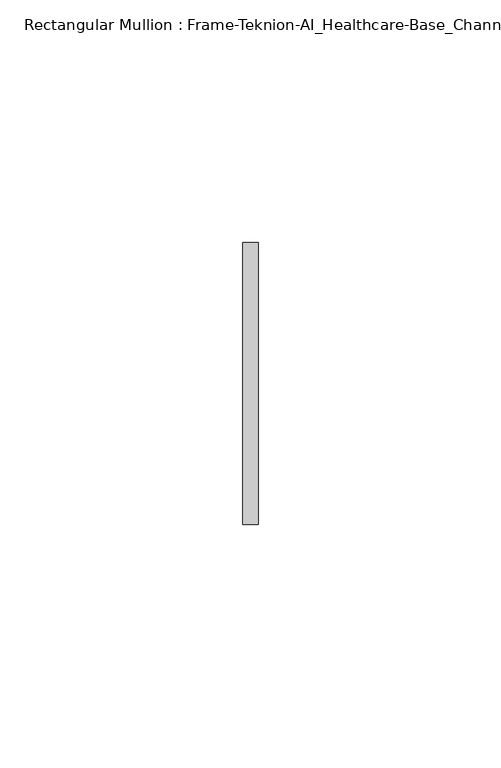
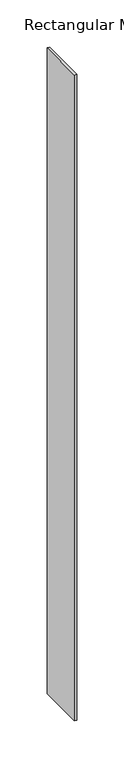
"""IFC4 building model written with IfcOpenShell, lengths in millimetres: member geometry, Rectangular Mullion : Frame-Teknion-AI_Healthcare-Base_Channel."""

from ifc_helpers import new_model, si_unit, frame, origin, place, context, project, spatial, polyline, outline, extrude, source, transform, mapped, element, save


def rectangular_mullion_frame_teknion_ai_healthcare_base_channel_40715e94(model_context):
    return source(origin(), model_context, "Body", "SweptSolid", [
        extrude(outline(polyline([(0.0, 29.0214844), (0.0, -29.0214844), (-3.175, -29.0214844), (-3.175, 29.0214844), (0.0, 29.0214844)])), frame((0.0, 0.0, -838.2), z_axis=(0.0, 0.0, 1.0), x_axis=(1.0, 0.0, 0.0)), (0.0, 0.0, 1.0), 838.2),
    ])


if __name__ == "__main__":
    model = new_model("IFC4")
    model_context = context("Model", 3, world=origin())
    ifc_project = project(units=[si_unit("LENGTHUNIT", "METRE", prefix="MILLI")], contexts=[model_context])
    site = spatial("IfcSite", under=ifc_project)
    building = spatial("IfcBuilding", under=site)
    placement = place(None, origin())
    rectangular_mullion_frame_teknion_ai_healthcare_base_channel_shape = rectangular_mullion_frame_teknion_ai_healthcare_base_channel_40715e94(model_context)
    element("IfcMember", 1, ObjectType="Rectangular Mullion : Frame-Teknion-AI_Healthcare-Base_Channel", at=placement, inside=building, context=model_context, shape_type="MappedRepresentation", body=[
        mapped(rectangular_mullion_frame_teknion_ai_healthcare_base_channel_shape, transform((0.0, 0.0, 0.0), x_axis=(1.0, 0.0, 0.0), y_axis=(0.0, 1.0, 0.0), z_axis=(0.0, 0.0, 1.0))),
    ])
    save(model, "model.ifc")
